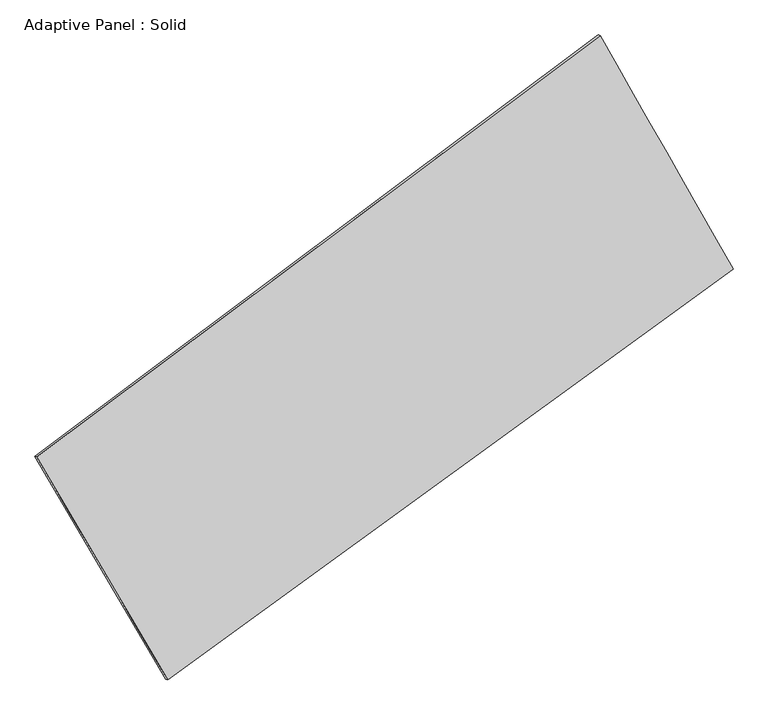
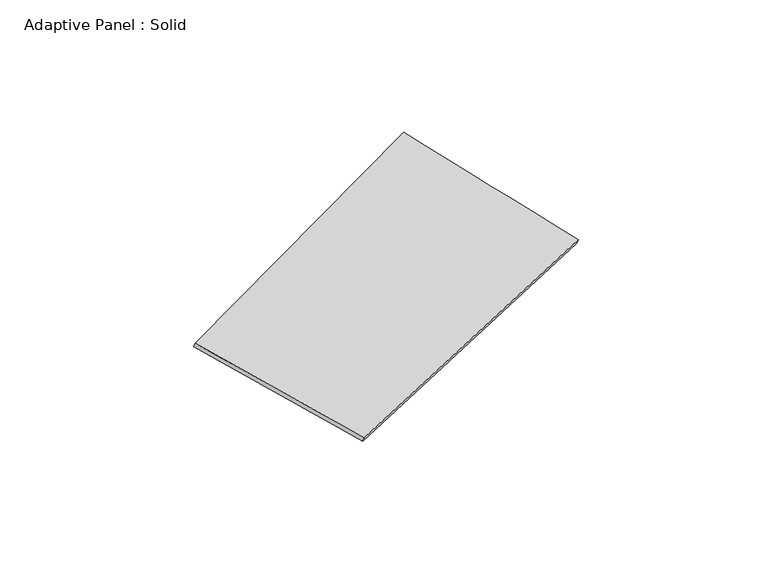
"""IFC4 building model written with IfcOpenShell, lengths in millimetres: plate geometry, Adaptive Panel : Solid."""

from ifc_helpers import new_model, si_unit, frame, origin, place, context, project, spatial, source, transform, mapped, element, save
from ifc_brep_helpers import plane_surface, spline_surface, advanced_brep


def adaptive_panel_solid_f400f484(model_context):
    return source(origin(), model_context, "Body", "AdvancedBrep", [
        advanced_brep(
        [(1139.9907839, 2598.0321596, 707.3500616), (-3537.7586524, -903.3190934, 1628.3676913), (-3523.0922966, -909.6991868, 1675.7405993), (1154.6571397, 2591.6520662, 754.7229696), (-2450.5336514, -2755.3985149, 1099.388758), (-2435.8672955, -2761.7786083, 1146.761666), (2245.0109417, 660.4368757, 50.0160093), (2259.6772976, 654.0567822, 97.3889173)],
        [
            (0, 1),
            (1, 2),
            (2, 3),
            (3, 0),
            (1, 4),
            (4, 5),
            (5, 2),
            (4, 6),
            (6, 7),
            (7, 5),
            (6, 0),
            (3, 7),
        ],
        [
            plane_surface(frame((-1198.8839343, 847.3565331, 1167.8588765), z_axis=(-0.5409810198202418, 0.794960905196669, 0.2745481659074491), x_axis=(-0.7908074126837709, -0.5919287817803577, 0.1557046991725748))),
            plane_surface(frame((-2994.1461519, -1829.3588041, 1363.8782247), z_axis=(-0.8241287519613592, -0.5360413608913103, 0.1829520691449132), x_axis=(0.49155585443389, -0.8373616148035531, -0.2391618030232974))),
            plane_surface(frame((-102.7613548, -1047.4808196, 574.7023836), z_axis=(0.5258067927243858, -0.8061586858473806, -0.27135841604365113), x_axis=(0.7957721097543428, 0.5788948398695, -0.17784125986280072))),
            plane_surface(frame((1692.5008628, 1629.2345177, 378.6830354), z_axis=(0.8257273222932303, 0.5332774960276795, -0.18381920859611015), x_axis=(-0.4751980210594532, 0.8332349758271934, 0.2826770521981506))),
            spline_surface(1, 1, [[(-3523.0922966, -909.6991868, 1675.7405993), (1154.6571397, 2591.6520662, 754.7229696)], [(-2435.8672955, -2761.7786083, 1146.761666), (2259.6772976, 654.0567822, 97.3889173)]], [2, 2], [2, 2], [0.0, 1.0], [0.0, 1.0]),
            spline_surface(1, 1, [[(2245.0109417, 660.4368757, 50.0160093), (1139.9907839, 2598.0321596, 707.3500616)], [(-2450.5336514, -2755.3985149, 1099.388758), (-3537.7586524, -903.3190934, 1628.3676913)]], [2, 2], [2, 2], [0.0, 1.0], [0.0, 1.0]),
        ],
        [
            (0, [[1, 2, 3, 4]]),
            (1, [[5, 6, 7, -2]]),
            (2, [[8, 9, 10, -6]]),
            (3, [[11, -4, 12, -9]]),
            (4, [[-3, -7, -10, -12]]),
            (5, [[-11, -8, -5, -1]]),
        ],
    ),
    ])


if __name__ == "__main__":
    model = new_model("IFC4")
    model_context = context("Model", 3, world=origin())
    ifc_project = project(units=[si_unit("LENGTHUNIT", "METRE", prefix="MILLI")], contexts=[model_context])
    site = spatial("IfcSite", under=ifc_project)
    building = spatial("IfcBuilding", under=site)
    placement = place(None, origin())
    adaptive_panel_solid_shape = adaptive_panel_solid_f400f484(model_context)
    element("IfcPlate", 1, ObjectType="Adaptive Panel : Solid", at=placement, inside=building, context=model_context, shape_type="MappedRepresentation", body=[
        mapped(adaptive_panel_solid_shape, transform((0.0, 0.0, 0.0), x_axis=(1.0, 0.0, 0.0), y_axis=(0.0, 1.0, 0.0), z_axis=(0.0, 0.0, 1.0))),
    ])
    save(model, "model.ifc")
